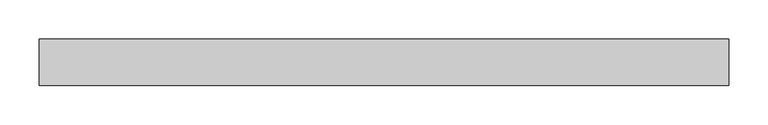
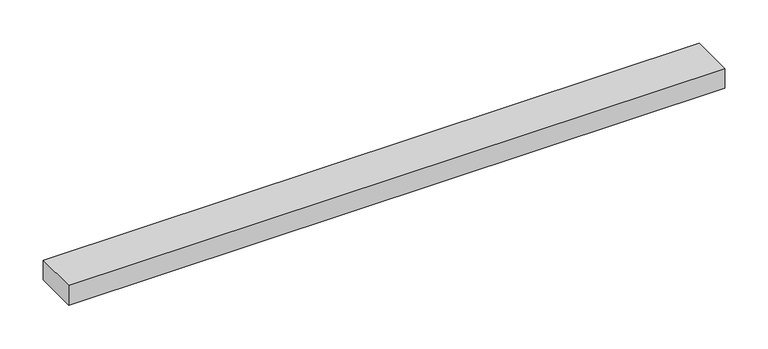
"""IFC4 building model written with IfcOpenShell, lengths in millimetres: proxy geometry."""

from ifc_helpers import new_model, si_unit, frame, origin, place, context, project, spatial, polyline, outline, extrude, source, transform, mapped, element, save


def specialty_equipment_ab785b24(model_context):
    return source(origin(), model_context, "Body", "SweptSolid", [
        extrude(outline(polyline([(-436.3618413, -29.2199219), (-436.3618413, 29.2199219), (436.3618413, 29.2199219), (436.3618413, -29.2199219), (-436.3618413, -29.2199219)])), frame((0.0, 0.0, -13.9898438), z_axis=(0.0, 0.0, 1.0), x_axis=(1.0, 0.0, 0.0)), (0.0, 0.0, 1.0), 27.9796875),
    ])


if __name__ == "__main__":
    model = new_model("IFC4")
    model_context = context("Model", 3, world=origin())
    ifc_project = project(units=[si_unit("LENGTHUNIT", "METRE", prefix="MILLI")], contexts=[model_context])
    site = spatial("IfcSite", under=ifc_project)
    building = spatial("IfcBuilding", under=site)
    placement = place(None, origin())
    specialty_equipment_shape = specialty_equipment_ab785b24(model_context)
    element("IfcBuildingElementProxy", 1, Name="Specialty Equipment", at=placement, inside=building, context=model_context, shape_type="MappedRepresentation", body=[
        mapped(specialty_equipment_shape, transform((0.0, 0.0, 0.0), x_axis=(1.0, 0.0, 0.0), y_axis=(0.0, 1.0, 0.0), z_axis=(0.0, 0.0, 1.0))),
    ])
    save(model, "model.ifc")
